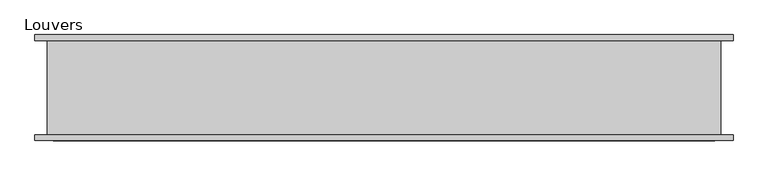
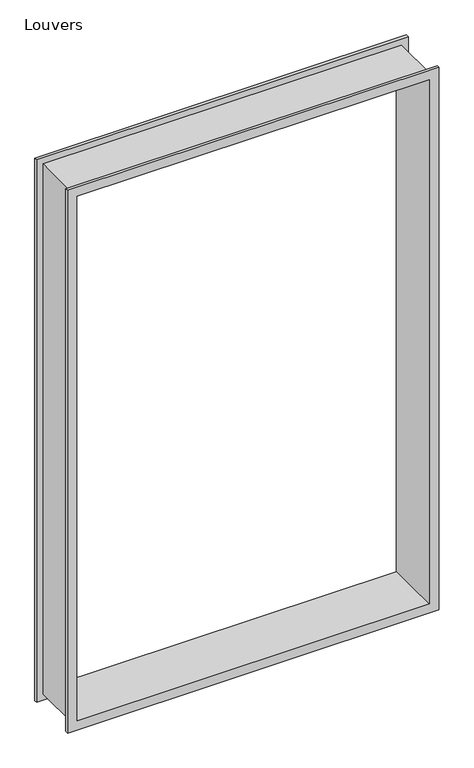
"""IFC4 building model written with IfcOpenShell, lengths in millimetres: proxy geometry, Louvers."""

from ifc_helpers import new_model, si_unit, origin, place, context, project, spatial, faceted_brep, source, transform, mapped, element, save


def louvers_664b5438(model_context):
    return source(origin(), model_context, "Body", "Brep", [
        faceted_brep([(829.0893929, -7.7140625, -0.0006), (829.0893929, 8.7859375, -0.0006), (829.0893929, 8.7859375, 3047.9944), (829.0893929, -7.7140625, 3047.9944), (776.9933929, 292.2859375, 52.0954), (776.9933929, -7.7140625, 52.0954), (776.9933929, -7.7140625, 2995.8984), (776.9933929, 292.2859375, 2995.8984), (829.0893929, 275.7859375, -0.0006), (829.0893929, 292.2859375, -0.0006), (829.0893929, 292.2859375, 3047.9944), (829.0893929, 275.7859375, 3047.9944), (793.9933929, 8.7859375, 35.0954), (793.9933929, 275.7859375, 35.0954), (793.9933929, 275.7859375, 3012.8984), (793.9933929, 8.7859375, 3012.8984), (-1146.2550071, 8.7859375, 3047.9944), (-1146.2550071, -7.7140625, 3047.9944), (-1094.1590071, -7.7140625, 2995.8984), (-1094.1590071, 292.2859375, 2995.8984), (-1146.2550071, 292.2859375, 3047.9944), (-1146.2550071, 275.7859375, 3047.9944), (-1111.1590071, 275.7859375, 3012.8984), (-1111.1590071, 8.7859375, 3012.8984), (-1146.2550071, 8.7859375, -0.0006), (-1146.2550071, -7.7140625, -0.0006), (-1094.1590071, -7.7140625, 52.0954), (-1094.1590071, 292.2859375, 52.0954), (-1146.2550071, 292.2859375, -0.0006), (-1146.2550071, 275.7859375, -0.0006), (-1111.1590071, 275.7859375, 35.0954), (-1111.1590071, 8.7859375, 35.0954)], [[[0, 1, 2, 3]], [[4, 5, 6, 7]], [[8, 9, 10, 11]], [[12, 13, 14, 15]], [[3, 2, 16, 17]], [[7, 6, 18, 19]], [[11, 10, 20, 21]], [[15, 14, 22, 23]], [[17, 16, 24, 25]], [[19, 18, 26, 27]], [[21, 20, 28, 29]], [[23, 22, 30, 31]], [[1, 24, 16, 2], [15, 23, 31, 12]], [[25, 24, 1, 0]], [[3, 17, 25, 0], [5, 26, 18, 6]], [[27, 26, 5, 4]], [[9, 28, 20, 10], [7, 19, 27, 4]], [[29, 28, 9, 8]], [[11, 21, 29, 8], [13, 30, 22, 14]], [[31, 30, 13, 12]]]),
    ])


if __name__ == "__main__":
    model = new_model("IFC4")
    model_context = context("Model", 3, world=origin())
    ifc_project = project(units=[si_unit("LENGTHUNIT", "METRE", prefix="MILLI")], contexts=[model_context])
    site = spatial("IfcSite", under=ifc_project)
    building = spatial("IfcBuilding", under=site)
    placement = place(None, origin())
    louvers_shape = louvers_664b5438(model_context)
    element("IfcBuildingElementProxy", 1, Name="Louvers", ObjectType="Louvers", at=placement, inside=building, context=model_context, shape_type="MappedRepresentation", body=[
        mapped(louvers_shape, transform((0.0, 0.0, 0.0), x_axis=(1.0, 0.0, 0.0), y_axis=(0.0, 1.0, 0.0), z_axis=(0.0, 0.0, 1.0))),
    ])
    save(model, "model.ifc")
